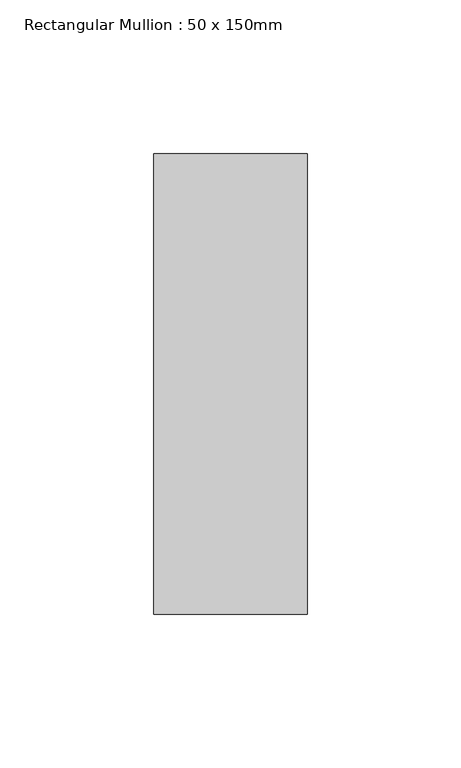
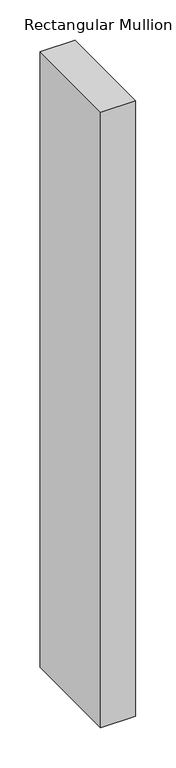
"""IFC4 building model written with IfcOpenShell, lengths in millimetres: member geometry, Rectangular Mullion : 50 x 150mm."""

from ifc_helpers import new_model, si_unit, frame, origin, place, context, project, spatial, polyline, outline, extrude, source, transform, mapped, element, save


def rectangular_mullion_50_x_150mm_438063ef(model_context):
    return source(origin(), model_context, "Body", "SweptSolid", [
        extrude(outline(polyline([(25.0, 75.0), (25.0, -75.0), (-25.0, -75.0), (-25.0, 75.0), (25.0, 75.0)])), frame((0.0, 0.0, -930.0000002), z_axis=(0.0, 0.0, 1.0), x_axis=(1.0, 0.0, 0.0)), (0.0, 0.0, 1.0), 930.0000002),
    ])


if __name__ == "__main__":
    model = new_model("IFC4")
    model_context = context("Model", 3, world=origin())
    ifc_project = project(units=[si_unit("LENGTHUNIT", "METRE", prefix="MILLI")], contexts=[model_context])
    site = spatial("IfcSite", under=ifc_project)
    building = spatial("IfcBuilding", under=site)
    placement = place(None, origin())
    rectangular_mullion_50_x_150mm_shape = rectangular_mullion_50_x_150mm_438063ef(model_context)
    element("IfcMember", 1, ObjectType="Rectangular Mullion : 50 x 150mm", at=placement, inside=building, context=model_context, shape_type="MappedRepresentation", body=[
        mapped(rectangular_mullion_50_x_150mm_shape, transform((0.0, 0.0, 0.0), x_axis=(1.0, 0.0, 0.0), y_axis=(0.0, 1.0, 0.0), z_axis=(0.0, 0.0, 1.0))),
    ])
    save(model, "model.ifc")
